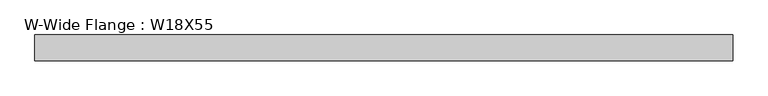
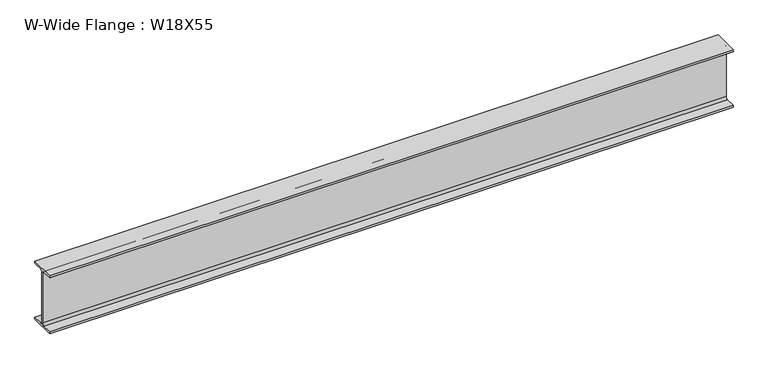
"""IFC4 building model written with IfcOpenShell, lengths in millimetres: beam geometry, W-Wide Flange : W18X55."""

from ifc_helpers import new_model, si_unit, point, frame, frame_2d, origin, place, context, project, spatial, polyline, circle_curve, trimmed, segment, composite_curve, outline, extrude, source, transform, mapped, element, save


def w_wide_flange_w18x55_f7cb1d43(model_context):
    return source(origin(), model_context, "Body", "SweptSolid", [
        extrude(outline(composite_curve([segment(polyline([(95.631, -213.868), (95.631, -229.87), (-95.631, -229.87), (-95.631, -213.868), (-22.2885, -213.868)]), True, "CONTINUOUS"), segment(trimmed(circle_curve(frame_2d((-22.2885, -196.5325)), 17.3355), [point((-22.2885, -213.868))], [point((-4.953, -196.5325))], True, "CARTESIAN"), True, "CONTINUOUS"), segment(polyline([(-4.953, -196.5325), (-4.953, 196.5325)]), True, "CONTINUOUS"), segment(trimmed(circle_curve(frame_2d((-22.2885, 196.5325)), 17.3355), [point((-4.953, 196.5325))], [point((-22.2885, 213.868))], True, "CARTESIAN"), True, "CONTINUOUS"), segment(polyline([(-22.2885, 213.868), (-95.631, 213.868), (-95.631, 229.87), (95.631, 229.87), (95.631, 213.868), (22.2885, 213.868)]), True, "CONTINUOUS"), segment(trimmed(circle_curve(frame_2d((22.2885, 196.5325)), 17.3355), [point((22.2885, 213.868))], [point((4.953, 196.5325))], True, "CARTESIAN"), True, "CONTINUOUS"), segment(polyline([(4.953, 196.5325), (4.953, -196.5325)]), True, "CONTINUOUS"), segment(trimmed(circle_curve(frame_2d((22.2885, -196.5325)), 17.3355), [point((4.953, -196.5325))], [point((22.2885, -213.868))], True, "CARTESIAN"), True, "CONTINUOUS"), segment(polyline([(22.2885, -213.868), (95.631, -213.868)]), True, "CONTINUOUS")], self_intersect=False)), frame((-2511.425, 0.0, 0.0), z_axis=(1.0, 0.0, 0.0), x_axis=(0.0, 1.0, 0.0)), (0.0, 0.0, 1.0), 5127.625),
    ])


if __name__ == "__main__":
    model = new_model("IFC4")
    model_context = context("Model", 3, world=origin())
    ifc_project = project(units=[si_unit("LENGTHUNIT", "METRE", prefix="MILLI")], contexts=[model_context])
    site = spatial("IfcSite", under=ifc_project)
    building = spatial("IfcBuilding", under=site)
    placement = place(None, origin())
    w_wide_flange_w18x55_shape = w_wide_flange_w18x55_f7cb1d43(model_context)
    element("IfcBeam", 1, ObjectType="W-Wide Flange : W18X55", at=placement, inside=building, context=model_context, shape_type="MappedRepresentation", body=[
        mapped(w_wide_flange_w18x55_shape, transform((0.0, 0.0, 0.0), x_axis=(1.0, 0.0, 0.0), y_axis=(0.0, 1.0, 0.0), z_axis=(0.0, 0.0, 1.0))),
    ])
    save(model, "model.ifc")
